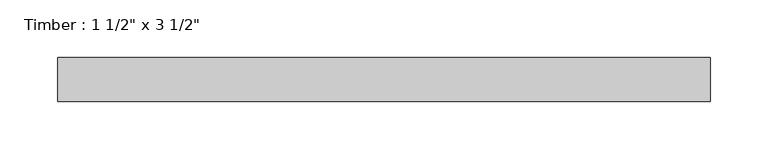
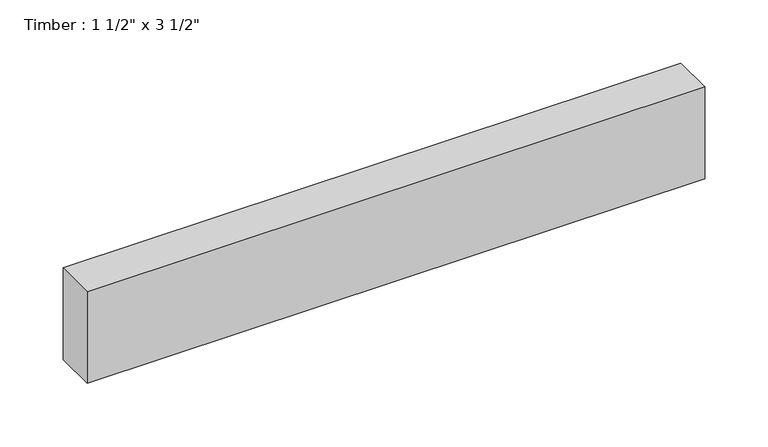
"""IFC4 building model written with IfcOpenShell, lengths in millimetres: beam geometry."""

import ifcopenshell
import ifcopenshell.guid

model = None  # the IFC model being written
_history = None  # IfcOwnerHistory: only IFC2X3 demands one
_inside = {}  # id of a spatial element -> (the spatial element, [elements in it])
_under = {}  # id of a project, library or spatial element -> (it, [spatial elements below it])
_declared = {}  # id of a project -> (the project, [libraries it declares])
_typed = {}  # id of a type object -> (the type object, [elements of that type])
_made_of = {}  # id of a material, layer set ... -> (it, [elements and type objects made of it])


def new_model(schema):
    """Start an empty IFC model of exactly this schema.

    Asked for "IFC4X3", IfcOpenShell would pick the latest addendum, in which some entities
    have other attributes; the version numbers below select the first issue.
    IFC2X3 requires an IfcOwnerHistory on every rooted entity: one is made here for all.
    """
    global model, _history
    if schema == "IFC4X3":
        model = ifcopenshell.file(schema_version=(4, 3, 0, 0))
    else:
        model = ifcopenshell.file(schema=schema)
    _inside.clear()
    _under.clear()
    _declared.clear()
    _typed.clear()
    _made_of.clear()
    _history = None
    if model.schema == "IFC2X3":
        org = make("IfcOrganization", Name="unknown")
        user = make(
            "IfcPersonAndOrganization",
            ThePerson=make("IfcPerson", FamilyName="unknown"),
            TheOrganization=org,
        )
        app = make(
            "IfcApplication",
            ApplicationDeveloper=org,
            Version="unknown",
            ApplicationFullName="unknown",
            ApplicationIdentifier="unknown",
        )
        _history = make(
            "IfcOwnerHistory",
            OwningUser=user,
            OwningApplication=app,
            ChangeAction="ADDED",
            CreationDate=0,
        )
    return model


def make(cls, **values):
    """One entity of the class cls with the attributes given. An attribute that is None is left unset."""
    return model.create_entity(
        cls, **{name: value for name, value in values.items() if value is not None}
    )


def rooted(cls, **values):
    """An entity with a GlobalId (a new one), such as an element, a storey or a relation."""
    return make(cls, GlobalId=ifcopenshell.guid.new(), OwnerHistory=_history, **values)


def si_unit(unit_type, name, prefix=None):
    """IfcSIUnit, for example si_unit("LENGTHUNIT", "METRE", prefix="MILLI")."""
    return make("IfcSIUnit", UnitType=unit_type, Prefix=prefix, Name=name)


def assignment(units):
    """IfcUnitAssignment: the units of a project."""
    return None if units is None else make("IfcUnitAssignment", Units=units)


def point(xyz):
    """IfcCartesianPoint."""
    return None if xyz is None else make("IfcCartesianPoint", Coordinates=xyz)


def direction(xyz):
    """IfcDirection."""
    return None if xyz is None else make("IfcDirection", DirectionRatios=xyz)


def frame(location, z_axis=None, x_axis=None):
    """IfcAxis2Placement3D, a coordinate frame: its origin and axes. An axis left out is left unset."""
    return make(
        "IfcAxis2Placement3D",
        Location=point(location),
        Axis=direction(z_axis),
        RefDirection=direction(x_axis),
    )


def origin():
    """The frame at (0, 0, 0) with its axes left unset."""
    return frame((0.0, 0.0, 0.0))


def place(relative_to, where):
    """IfcLocalPlacement: puts the frame where relative to a parent placement (None: the world)."""
    return make(
        "IfcLocalPlacement", PlacementRelTo=relative_to, RelativePlacement=where
    )


def context(
    kind, dimensions, precision=None, world=None, true_north=None, identifier=None
):
    """IfcGeometricRepresentationContext, for example the 3D "Model" context."""
    return make(
        "IfcGeometricRepresentationContext",
        ContextIdentifier=identifier,
        ContextType=kind,
        CoordinateSpaceDimension=dimensions,
        Precision=precision,
        WorldCoordinateSystem=world,
        TrueNorth=true_north,
    )


def project(units=None, contexts=None):
    """IfcProject with its units and contexts."""
    return rooted(
        "IfcProject",
        Name="project",
        RepresentationContexts=contexts,
        UnitsInContext=assignment(units),
    )


def spatial(cls, under=None, at=None, **own):
    """A site, building, storey or space (cls), placed at a placement, below another one or the project."""
    s = rooted(cls, ObjectPlacement=at, **own)
    if under is not None:
        _under.setdefault(under.id(), (under, []))[1].append(s)
    return s


def polyline(points):
    """IfcPolyline through the points."""
    return make("IfcPolyline", Points=[point(p) for p in points])


def outline(outer, holes=None, kind="AREA"):
    """IfcArbitraryClosedProfileDef: a profile drawn as a closed curve; with holes, ...WithVoids."""
    if holes is None:
        return make("IfcArbitraryClosedProfileDef", ProfileType=kind, OuterCurve=outer)
    return make(
        "IfcArbitraryProfileDefWithVoids",
        ProfileType=kind,
        OuterCurve=outer,
        InnerCurves=holes,
    )


def extrude(swept, where, along, depth):
    """IfcExtrudedAreaSolid: the profile swept, set in the frame where, extruded along a direction by depth."""
    return make(
        "IfcExtrudedAreaSolid",
        SweptArea=swept,
        Position=where,
        ExtrudedDirection=direction(along),
        Depth=depth,
    )


def shape(context_of_items, identifier, shape_type, items):
    """IfcShapeRepresentation: the items that make up one representation, for example the "Body"."""
    return make(
        "IfcShapeRepresentation",
        ContextOfItems=context_of_items,
        RepresentationIdentifier=identifier,
        RepresentationType=shape_type,
        Items=items,
    )


def source(mapping_origin, context_of_items, identifier, shape_type, items):
    """IfcRepresentationMap: a shape defined once, which mapped items show again and again."""
    return make(
        "IfcRepresentationMap",
        MappingOrigin=mapping_origin,
        MappedRepresentation=shape(context_of_items, identifier, shape_type, items),
    )


def transform(
    local_origin,
    x_axis=None,
    y_axis=None,
    z_axis=None,
    scale=None,
    scale2=None,
    scale3=None,
    uniform=True,
):
    """IfcCartesianTransformationOperator3D, or its non-uniform kind. x_axis, y_axis, z_axis: its Axis1, 2, 3."""
    if uniform:
        return make(
            "IfcCartesianTransformationOperator3D",
            Axis1=direction(x_axis),
            Axis2=direction(y_axis),
            LocalOrigin=point(local_origin),
            Scale=scale,
            Axis3=direction(z_axis),
        )
    return make(
        "IfcCartesianTransformationOperator3DnonUniform",
        Axis1=direction(x_axis),
        Axis2=direction(y_axis),
        LocalOrigin=point(local_origin),
        Scale=scale,
        Axis3=direction(z_axis),
        Scale2=scale2,
        Scale3=scale3,
    )


def mapped(mapping_source, mapping_target):
    """IfcMappedItem: shows the shape of a source again, moved by a transform."""
    return make(
        "IfcMappedItem", MappingSource=mapping_source, MappingTarget=mapping_target
    )


def made_of(thing, what):
    """Note that an element or type object is made of a material, layer set ...; save() writes the relation."""
    if what is not None:
        _made_of.setdefault(what.id(), (what, []))[1].append(thing)
    return thing


def element(
    cls,
    number,
    at=None,
    inside=None,
    cuts=None,
    type_object=None,
    material=None,
    context=None,
    identifier="Body",
    shape_type=None,
    held_by="IfcProductDefinitionShape",
    body=None,
    shapes=None,
    **own,
):
    """One element of the class cls, such as IfcWall. Its Tag is "e" and its number.

    at: its placement. inside: the storey or other place that contains it. cuts: it is an
    opening in that element (IfcRelVoidsElement). A single representation is given by context,
    identifier, shape_type and body (its items); several are given by shapes. held_by: the class
    of the entity that holds the representations. save() writes the other relations.
    """
    e = rooted(cls, Tag="e%d" % number, ObjectPlacement=at, **own)
    if body is not None:
        shapes = [shape(context, identifier, shape_type, body)]
    if shapes is not None:
        e.Representation = make(held_by, Representations=shapes)
    if inside is not None:
        _inside.setdefault(inside.id(), (inside, []))[1].append(e)
    if cuts is not None:
        rooted(
            "IfcRelVoidsElement", RelatingBuildingElement=cuts, RelatedOpeningElement=e
        )
    if type_object is not None:
        _typed.setdefault(type_object.id(), (type_object, []))[1].append(e)
    return made_of(e, material)


def aggregate(whole, parts):
    """IfcRelAggregates: a whole, such as a stair, and the parts it consists of."""
    return rooted("IfcRelAggregates", RelatingObject=whole, RelatedObjects=parts)


def save(model, path):
    """Write the relations noted so far, then the file.

    IfcRelAggregates (storeys below a building ...), IfcRelContainedInSpatialStructure (elements
    in a storey), IfcRelDefinesByType, IfcRelAssociatesMaterial and IfcRelDeclares: one each for
    every whole, place, type object, material and project.
    """
    for whole, parts in _under.values():
        aggregate(whole, parts)
    for where, things in _inside.values():
        rooted(
            "IfcRelContainedInSpatialStructure",
            RelatedElements=things,
            RelatingStructure=where,
        )
    for kind, things in _typed.values():
        rooted("IfcRelDefinesByType", RelatedObjects=things, RelatingType=kind)
    for what, things in _made_of.values():
        rooted("IfcRelAssociatesMaterial", RelatedObjects=things, RelatingMaterial=what)
    for by, libraries in _declared.values():
        rooted("IfcRelDeclares", RelatingContext=by, RelatedDefinitions=libraries)
    model.write(path)


def beam_c4a8e602(model_context):
    return source(origin(), model_context, "Body", "SweptSolid", [
        extrude(outline(polyline([(282.575, 19.05), (282.575, -19.05), (-282.575, -19.05), (-282.575, 19.05), (282.575, 19.05)])), frame((0.0, 0.0, -44.45), z_axis=(0.0, 0.0, 1.0), x_axis=(1.0, 0.0, 0.0)), (0.0, 0.0, 1.0), 88.9),
    ])


if __name__ == "__main__":
    model = new_model("IFC4")
    model_context = context("Model", 3, world=origin())
    ifc_project = project(units=[si_unit("LENGTHUNIT", "METRE", prefix="MILLI")], contexts=[model_context])
    site = spatial("IfcSite", under=ifc_project)
    building = spatial("IfcBuilding", under=site)
    placement = place(None, origin())
    beam_shape = beam_c4a8e602(model_context)
    element("IfcBeam", 1, ObjectType="Timber : 1 1/2\" x 3 1/2\"", at=placement, inside=building, context=model_context, shape_type="MappedRepresentation", body=[
        mapped(beam_shape, transform((0.0, 0.0, 0.0), x_axis=(1.0, 0.0, 0.0), y_axis=(0.0, 1.0, 0.0), z_axis=(0.0, 0.0, 1.0))),
    ])
    save(model, "model.ifc")
